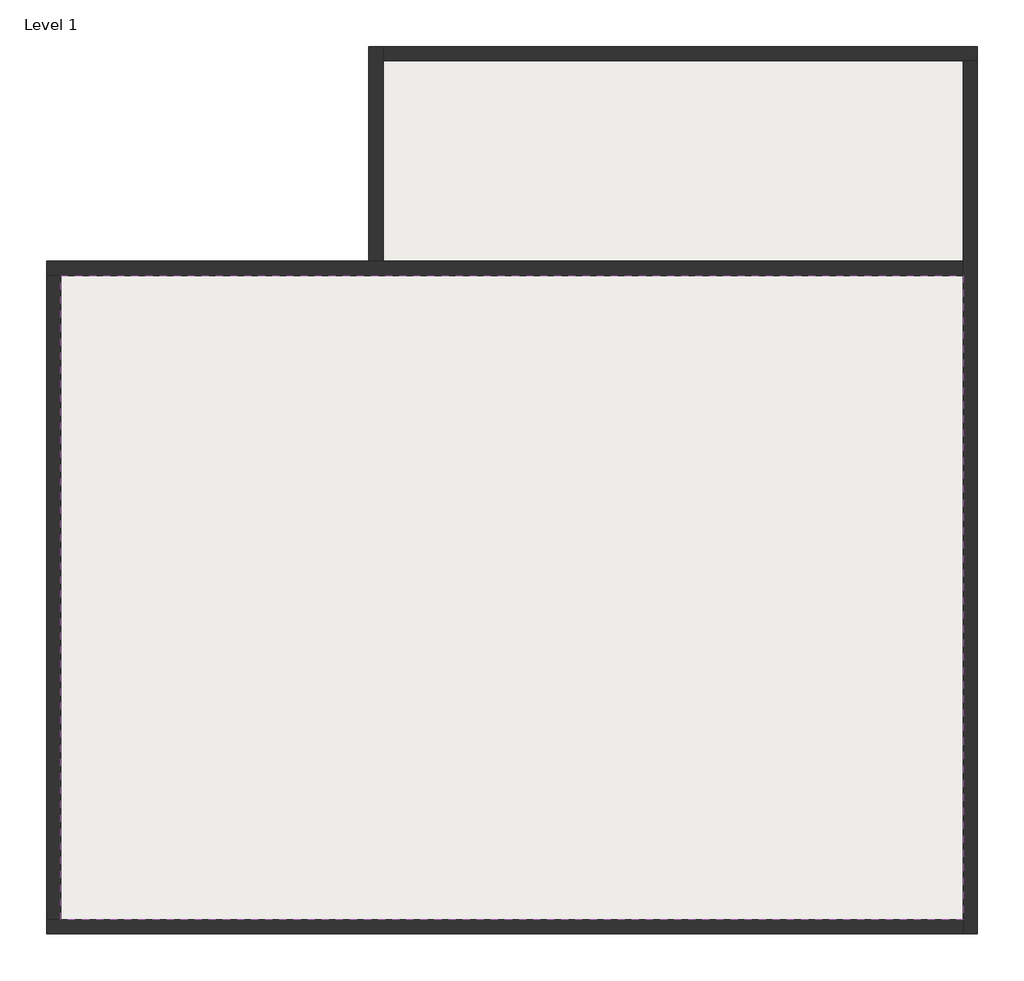
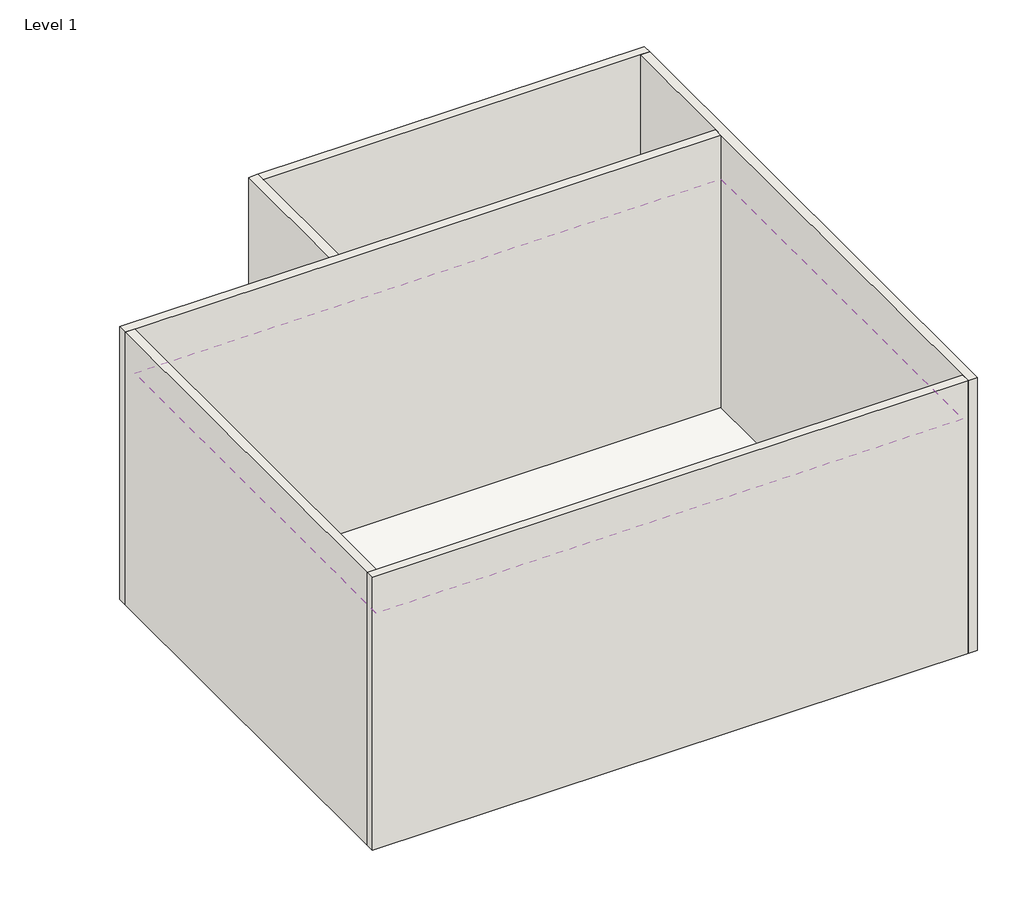
# One storey: 6 walls, 1 covering, 1 slab.
"""IFC4 building model written with IfcOpenShell, lengths in millimetres."""

from ifc_helpers import new_model, si_unit, frame, origin, origin_with_axes, place, context, project, spatial, polyline, outline, extrude, faceted_brep, element, save

model = new_model("IFC4")

# Units and contexts
model_context = context("Model", 3, world=origin())
ifc_project = project(units=[si_unit("LENGTHUNIT", "METRE", prefix="MILLI")], contexts=[model_context])

# Site, building, storey
site = spatial("IfcSite", under=ifc_project)
building = spatial("IfcBuilding", under=site)
storey = spatial("IfcBuildingStorey", under=building, Name="Level 1", Elevation=0.0)

# Covering
placement = place(None, origin())
element("IfcCovering", 1, at=placement, inside=storey, context=model_context, shape_type="SweptSolid", body=[
    extrude(outline(polyline([(480.952381, 4287.3015873), (6780.952381, 4287.3015873), (6780.952381, -212.6984127), (480.952381, -212.6984127), (480.952381, 4287.3015873)])), frame((0.0, 0.0, 2600.0), z_axis=(0.0, 0.0, 1.0), x_axis=(1.0, 0.0, 0.0)), (0.0, 0.0, 1.0), 63.0),
])

# Slab
element("IfcSlab", 2, ObjectType="Floor - CP02", at=placement, inside=storey, context=model_context, shape_type="SweptSolid", body=[
    extrude(outline(polyline([(2680.952381, 4337.3015873), (2680.952381, 5837.3015873), (6830.952381, 5837.3015873), (6830.952381, -262.6984127), (430.952381, -262.6984127), (430.952381, 4337.3015873), (2680.952381, 4337.3015873)])), frame((0.0, 0.0, -25.0), z_axis=(0.0, 0.0, 1.0), x_axis=(1.0, 0.0, 0.0)), (0.0, 0.0, 1.0), 25.0),
])

# Walls
element("IfcWall", 3, ObjectType="00_Generic_100mm", at=placement, inside=storey, context=model_context, shape_type="Brep", body=[
    faceted_brep([(380.952381, 4287.3015873, 0.0), (480.952381, 4287.3015873, 0.0), (6780.952381, 4287.3015873, 0.0), (6780.952381, 4287.3015873, 3100.0), (480.952381, 4287.3015873, 3100.0), (380.952381, 4287.3015873, 3100.0), (380.952381, 4387.3015873, 0.0), (380.952381, 4387.3015873, 3100.0), (2630.952381, 4387.3015873, 3100.0), (2730.952381, 4387.3015873, 3100.0), (6780.952381, 4387.3015873, 3100.0), (6780.952381, 4387.3015873, 0.0), (2730.952381, 4387.3015873, 0.0), (2630.952381, 4387.3015873, 0.0)], [[[0, 1, 2, 3, 4, 5]], [[6, 7, 8, 9, 10, 11, 12, 13]], [[2, 1, 0, 6, 13, 12, 11]], [[5, 4, 3, 10, 9, 8, 7]], [[0, 5, 7, 6]], [[3, 2, 11, 10]]]),
])
element("IfcWall", 4, ObjectType="00_Generic_100mm", at=placement, inside=storey, context=model_context, shape_type="Brep", body=[
    faceted_brep([(6780.952381, 5787.3015873, 0.0), (6780.952381, 4387.3015873, 0.0), (6780.952381, 4287.3015873, 0.0), (6780.952381, -212.6984127, 0.0), (6780.952381, -312.6984127, 0.0), (6780.952381, -312.6984127, 3100.0), (6780.952381, -212.6984127, 3100.0), (6780.952381, 4287.3015873, 3100.0), (6780.952381, 4387.3015873, 3100.0), (6780.952381, 5787.3015873, 3100.0), (6880.952381, 5787.3015873, 0.0), (6880.952381, 5787.3015873, 3100.0), (6880.952381, -312.6984127, 3100.0), (6880.952381, -312.6984127, 0.0)], [[[0, 1, 2, 3, 4, 5, 6, 7, 8, 9]], [[10, 11, 12, 13]], [[4, 3, 2, 1, 0, 10, 13]], [[9, 8, 7, 6, 5, 12, 11]], [[5, 4, 13, 12]], [[0, 9, 11, 10]]]),
])
element("IfcWall", 5, ObjectType="00_Generic_100mm", at=placement, inside=storey, context=model_context, shape_type="Brep", body=[
    faceted_brep([(6780.952381, -212.6984127, 0.0), (480.952381, -212.6984127, 0.0), (380.952381, -212.6984127, 0.0), (380.952381, -212.6984127, 3100.0), (480.952381, -212.6984127, 3100.0), (6780.952381, -212.6984127, 3100.0), (6780.952381, -312.6984127, 0.0), (6780.952381, -312.6984127, 3100.0), (380.952381, -312.6984127, 3100.0), (380.952381, -312.6984127, 0.0)], [[[0, 1, 2, 3, 4, 5]], [[6, 7, 8, 9]], [[2, 1, 0, 6, 9]], [[5, 4, 3, 8, 7]], [[0, 5, 7, 6]], [[3, 2, 9, 8]]]),
])
element("IfcWall", 6, ObjectType="00_Generic_100mm", at=placement, inside=storey, context=model_context, shape_type="SweptSolid", body=[
    extrude(outline(polyline([(480.952381, 4287.3015873), (480.952381, -212.6984127), (380.952381, -212.6984127), (380.952381, 4287.3015873), (480.952381, 4287.3015873)])), origin_with_axes(), (0.0, 0.0, 1.0), 3100.0),
])
element("IfcWall", 7, ObjectType="00_Generic_100mm", at=placement, inside=storey, context=model_context, shape_type="Brep", body=[
    faceted_brep([(2730.952381, 4387.3015873, 0.0), (2730.952381, 5787.3015873, 0.0), (2730.952381, 5887.3015873, 0.0), (2730.952381, 5887.3015873, 3100.0), (2730.952381, 5787.3015873, 3100.0), (2730.952381, 4387.3015873, 3100.0), (2630.952381, 4387.3015873, 0.0), (2630.952381, 4387.3015873, 3100.0), (2630.952381, 5887.3015873, 3100.0), (2630.952381, 5887.3015873, 0.0)], [[[0, 1, 2, 3, 4, 5]], [[6, 7, 8, 9]], [[2, 1, 0, 6, 9]], [[5, 4, 3, 8, 7]], [[0, 5, 7, 6]], [[3, 2, 9, 8]]]),
])
element("IfcWall", 8, ObjectType="00_Generic_100mm", at=placement, inside=storey, context=model_context, shape_type="Brep", body=[
    faceted_brep([(2730.952381, 5787.3015873, 0.0), (6780.952381, 5787.3015873, 0.0), (6880.952381, 5787.3015873, 0.0), (6880.952381, 5787.3015873, 3100.0), (6780.952381, 5787.3015873, 3100.0), (2730.952381, 5787.3015873, 3100.0), (2730.952381, 5887.3015873, 0.0), (2730.952381, 5887.3015873, 3100.0), (6880.952381, 5887.3015873, 3100.0), (6880.952381, 5887.3015873, 0.0)], [[[0, 1, 2, 3, 4, 5]], [[6, 7, 8, 9]], [[2, 1, 0, 6, 9]], [[5, 4, 3, 8, 7]], [[0, 5, 7, 6]], [[3, 2, 9, 8]]]),
])

save(model, "model.ifc")
